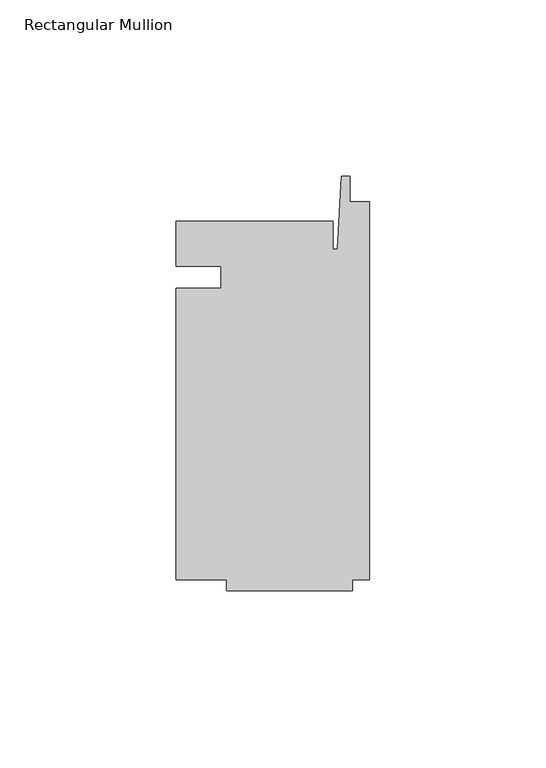
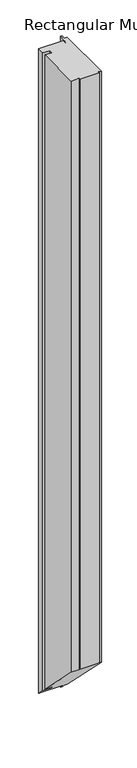
"""IFC4 building model written with IfcOpenShell, lengths in millimetres: member geometry, Rectangular Mullion."""

from ifc_helpers import new_model, si_unit, origin, place, context, project, spatial, faceted_brep, source, transform, mapped, element, save


def rectangular_mullion_4c527a30(model_context):
    return source(origin(), model_context, "Body", "Brep", [
        faceted_brep([(-42.06875, -3.175, 0.0), (-54.76875, -3.175, 0.0), (-54.76875, -85.725, 0.0), (-40.48125, -85.725, 0.0), (-40.48125, -88.9, 0.0), (-4.7625, -88.9, 0.0), (-4.7625, -85.725, 0.0), (0.0, -85.725, 0.0), (0.0, 21.43125, 0.0), (-5.55625, 21.43125, 0.0), (-5.55625, 28.575, 0.0), (-7.9375, 28.575, 0.0), (-9.0190655, 7.9375, 0.0), (-10.31875, 7.9375, 0.0), (-10.31875, 15.875, 0.0), (-54.76875, 15.875, 0.0), (-54.76875, 3.175, 0.0), (-42.06875, 3.175, 0.0), (-42.06875, -3.175, -1216.025), (-54.76875, -3.175, -1216.025), (-54.76875, -85.725, -1133.475), (-40.48125, -85.725, -1133.475), (-40.48125, -88.9, -1130.3), (-4.7625, -88.9, -1130.3), (-4.7625, -85.725, -1133.475), (0.0, -85.725, -1133.475), (0.0, 21.43125, -1240.63125), (-5.55625, 21.43125, -1240.63125), (-5.55625, 28.575, -1247.775), (-7.9375, 28.575, -1247.775), (-9.0190655, 7.9375, -1227.1375), (-10.31875, 7.9375, -1227.1375), (-10.31875, 15.875, -1235.075), (-54.76875, 15.875, -1235.075), (-54.76875, 3.175, -1222.375), (-42.06875, 3.175, -1222.375)], [[[0, 1, 2, 3, 4, 5, 6, 7, 8, 9, 10, 11, 12, 13, 14, 15, 16, 17]], [[1, 0, 18, 19]], [[2, 1, 19, 20]], [[3, 2, 20, 21]], [[4, 3, 21, 22]], [[5, 4, 22, 23]], [[6, 5, 23, 24]], [[7, 6, 24, 25]], [[8, 7, 25, 26]], [[9, 8, 26, 27]], [[10, 9, 27, 28]], [[11, 10, 28, 29]], [[12, 11, 29, 30]], [[13, 12, 30, 31]], [[14, 13, 31, 32]], [[15, 14, 32, 33]], [[16, 15, 33, 34]], [[17, 16, 34, 35]], [[0, 17, 35, 18]], [[18, 35, 34, 33, 32, 31, 30, 29, 28, 27, 26, 25, 24, 23, 22, 21, 20, 19]]]),
    ])


if __name__ == "__main__":
    model = new_model("IFC4")
    model_context = context("Model", 3, world=origin())
    ifc_project = project(units=[si_unit("LENGTHUNIT", "METRE", prefix="MILLI")], contexts=[model_context])
    site = spatial("IfcSite", under=ifc_project)
    building = spatial("IfcBuilding", under=site)
    placement = place(None, origin())
    rectangular_mullion_shape = rectangular_mullion_4c527a30(model_context)
    element("IfcMember", 1, ObjectType="Rectangular Mullion", at=placement, inside=building, context=model_context, shape_type="MappedRepresentation", body=[
        mapped(rectangular_mullion_shape, transform((0.0, 0.0, 0.0), x_axis=(1.0, 0.0, 0.0), y_axis=(0.0, 1.0, 0.0), z_axis=(0.0, 0.0, 1.0))),
    ])
    save(model, "model.ifc")
